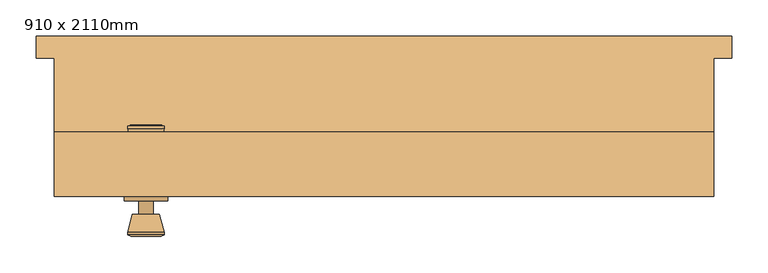
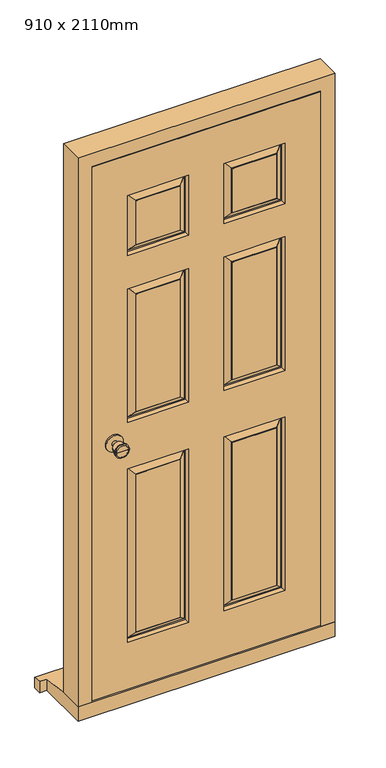
"""IFC4 building model written with IfcOpenShell, lengths in millimetres: door geometry, 910 x 2110mm."""

from ifc_helpers import new_model, si_unit, point, frame, frame_2d, origin, place, context, project, spatial, polyline, circle_curve, trimmed, segment, composite_curve, outline, extrude, faceted_brep, source, transform, mapped, element, save
from ifc_brep_helpers import plane_surface, cylinder_surface, revolved_surface, advanced_brep


def door_910_x_2110mm_297de242(model_context):
    return source(origin(), model_context, "Body", "SolidModel", [
        advanced_brep(
        [(-328.5, -97.5, 1000.0), (-318.5, -97.5, 1000.0), (-338.5, -97.5, 1000.0), (-308.0241324, -146.5, 1000.0), (-328.5, -146.5, 1000.0), (-348.9758676, -146.5, 1000.0), (-303.5, -144.6721319, 1000.0), (-353.5, -144.6721319, 1000.0), (-303.5, -141.2084537, 1000.0), (-353.5, -141.2084537, 1000.0), (-309.863764, -116.5, 1000.0), (-347.136236, -116.5, 1000.0), (-318.5, -116.5, 1000.0), (-338.5, -116.5, 1000.0)],
        [
            (0, 1),
            (1, 2, circle_curve(frame((-328.5, -97.5, 1000.0), z_axis=(0.0, 1.0, 0.0), x_axis=(-1.0, 0.0, 0.0)), 10.0)),
            (2, 0),
            (2, 1, circle_curve(frame((-328.5, -97.5, 1000.0), z_axis=(0.0, 1.0, 0.0), x_axis=(-1.0, 0.0, 0.0)), 10.0)),
            (3, 4),
            (4, 5),
            (5, 3, circle_curve(frame((-328.5, -146.5, 1000.0), z_axis=(0.0, -1.0, 0.0), x_axis=(-1.0, 0.0, 0.0)), 20.4758676)),
            (3, 5, circle_curve(frame((-328.5, -146.5, 1000.0), z_axis=(0.0, -1.0, 0.0), x_axis=(-1.0, 0.0, 0.0)), 20.4758676)),
            (6, 3),
            (5, 7),
            (7, 6, circle_curve(frame((-328.5, -144.6721319, 1000.0), z_axis=(0.0, -1.0, 0.0), x_axis=(-1.0, 0.0, 0.0)), 25.0)),
            (6, 7, circle_curve(frame((-328.5, -144.6721319, 1000.0), z_axis=(0.0, -1.0, 0.0), x_axis=(-1.0, 0.0, 0.0)), 25.0)),
            (8, 6),
            (7, 9),
            (9, 8, circle_curve(frame((-328.5, -141.2084537, 1000.0), z_axis=(0.0, -1.0, 0.0), x_axis=(-1.0, 0.0, 0.0)), 25.0)),
            (8, 9, circle_curve(frame((-328.5, -141.2084537, 1000.0), z_axis=(0.0, -1.0, 0.0), x_axis=(-1.0, 0.0, 0.0)), 25.0)),
            (10, 8),
            (9, 11),
            (11, 10, circle_curve(frame((-328.5, -116.5, 1000.0), z_axis=(0.0, -1.0, 0.0), x_axis=(-1.0, 0.0, 0.0)), 18.636236)),
            (10, 11, circle_curve(frame((-328.5, -116.5, 1000.0), z_axis=(0.0, -1.0, 0.0), x_axis=(-1.0, 0.0, 0.0)), 18.636236)),
            (12, 10),
            (11, 13),
            (13, 12, circle_curve(frame((-328.5, -116.5, 1000.0), z_axis=(0.0, -1.0, 0.0), x_axis=(-1.0, 0.0, 0.0)), 10.0)),
            (12, 13, circle_curve(frame((-328.5, -116.5, 1000.0), z_axis=(0.0, -1.0, 0.0), x_axis=(-1.0, 0.0, 0.0)), 10.0)),
            (1, 12),
            (13, 2),
        ],
        [
            plane_surface(frame((-328.5, -97.5, 1000.0), z_axis=(0.0, 1.0, 0.0), x_axis=(-1.0, 0.0, 0.0))),
            plane_surface(frame((-328.5, -146.5, 1000.0), z_axis=(0.0, -1.0, 0.0), x_axis=(-1.0, 0.0, 0.0))),
            revolved_surface(polyline([(-348.9758676, -146.5, 1000.0), (-353.5, -144.6721319, 1000.0)]), (-328.5, -97.5, 1000.0), (0.0, 1.0, 0.0)),
            cylinder_surface(frame((-328.5, -97.5, 1000.0), z_axis=(0.0, 1.0, 0.0), x_axis=(-1.0, 0.0, 0.0)), 25.0),
            revolved_surface(polyline([(-353.5, -141.2084537, 1000.0), (-347.136236, -116.5, 1000.0)]), (-328.5, -97.5, 1000.0), (0.0, 1.0, 0.0)),
            plane_surface(frame((-328.5, -116.5, 1000.0), z_axis=(0.0, 1.0, 0.0), x_axis=(-1.0, 0.0, 0.0))),
            cylinder_surface(frame((-328.5, -97.5, 1000.0), z_axis=(0.0, 1.0, 0.0), x_axis=(-1.0, 0.0, 0.0)), 10.0),
        ],
        [
            (0, [[1, 2, 3]]),
            (0, [[-3, 4, -1]]),
            (1, [[5, 6, 7]]),
            (1, [[-6, -5, 8]]),
            (2, [[9, -7, 10, 11]]),
            (2, [[-10, -8, -9, 12]]),
            (3, [[13, -11, 14, 15]]),
            (3, [[-14, -12, -13, 16]]),
            (4, [[17, -15, 18, 19]]),
            (4, [[-18, -16, -17, 20]]),
            (5, [[21, -19, 22, 23]]),
            (5, [[-22, -20, -21, 24]]),
            (6, [[25, -23, 26, -2]]),
            (6, [[-26, -24, -25, -4]]),
        ],
    ),
        extrude(outline(composite_curve([segment(trimmed(circle_curve(frame_2d((1000.0, -328.5)), 30.0), [point((1000.0, -358.5))], [point((1000.0, -298.5))], False, "CARTESIAN"), True, "CONTINUOUS"), segment(trimmed(circle_curve(frame_2d((1000.0, -328.5)), 30.0), [point((1000.0, -298.5))], [point((1000.0, -358.5))], False, "CARTESIAN"), True, "CONTINUOUS")], self_intersect=False)), frame((0.0, -97.5, 0.0), z_axis=(0.0, 1.0, 0.0), x_axis=(0.0, 0.0, 1.0)), (0.0, 0.0, 1.0), 6.0),
        advanced_brep(
        [(-328.5, -41.5, 1000.0), (-338.5, -41.5, 1000.0), (-318.5, -41.5, 1000.0), (-308.0241324, 7.5, 1000.0), (-348.9758676, 7.5, 1000.0), (-328.5, 7.5, 1000.0), (-303.5, 5.6721319, 1000.0), (-353.5, 5.6721319, 1000.0), (-303.5, 2.2084537, 1000.0), (-353.5, 2.2084537, 1000.0), (-309.863764, -22.5, 1000.0), (-347.136236, -22.5, 1000.0), (-318.5, -22.5, 1000.0), (-338.5, -22.5, 1000.0)],
        [
            (0, 1),
            (1, 2, circle_curve(frame((-328.5, -41.5, 1000.0), z_axis=(0.0, -1.0, 0.0), x_axis=(-1.0, 0.0, 0.0)), 10.0)),
            (2, 0),
            (2, 1, circle_curve(frame((-328.5, -41.5, 1000.0), z_axis=(0.0, -1.0, 0.0), x_axis=(-1.0, 0.0, 0.0)), 10.0)),
            (3, 4, circle_curve(frame((-328.5, 7.5, 1000.0), z_axis=(0.0, 1.0, 0.0), x_axis=(-1.0, 0.0, 0.0)), 20.4758676)),
            (4, 5),
            (5, 3),
            (4, 3, circle_curve(frame((-328.5, 7.5, 1000.0), z_axis=(0.0, 1.0, 0.0), x_axis=(-1.0, 0.0, 0.0)), 20.4758676)),
            (6, 7, circle_curve(frame((-328.5, 5.6721319, 1000.0), z_axis=(0.0, 1.0, 0.0), x_axis=(-1.0, 0.0, 0.0)), 25.0)),
            (7, 4),
            (3, 6),
            (7, 6, circle_curve(frame((-328.5, 5.6721319, 1000.0), z_axis=(0.0, 1.0, 0.0), x_axis=(-1.0, 0.0, 0.0)), 25.0)),
            (8, 9, circle_curve(frame((-328.5, 2.2084537, 1000.0), z_axis=(0.0, 1.0, 0.0), x_axis=(-1.0, 0.0, 0.0)), 25.0)),
            (9, 7),
            (6, 8),
            (9, 8, circle_curve(frame((-328.5, 2.2084537, 1000.0), z_axis=(0.0, 1.0, 0.0), x_axis=(-1.0, 0.0, 0.0)), 25.0)),
            (10, 11, circle_curve(frame((-328.5, -22.5, 1000.0), z_axis=(0.0, 1.0, 0.0), x_axis=(-1.0, 0.0, 0.0)), 18.636236)),
            (11, 9),
            (8, 10),
            (11, 10, circle_curve(frame((-328.5, -22.5, 1000.0), z_axis=(0.0, 1.0, 0.0), x_axis=(-1.0, 0.0, 0.0)), 18.636236)),
            (12, 13, circle_curve(frame((-328.5, -22.5, 1000.0), z_axis=(0.0, 1.0, 0.0), x_axis=(-1.0, 0.0, 0.0)), 10.0)),
            (13, 11),
            (10, 12),
            (13, 12, circle_curve(frame((-328.5, -22.5, 1000.0), z_axis=(0.0, 1.0, 0.0), x_axis=(-1.0, 0.0, 0.0)), 10.0)),
            (1, 13),
            (12, 2),
        ],
        [
            plane_surface(frame((-328.5, -41.5, 1000.0), z_axis=(0.0, -1.0, 0.0), x_axis=(-1.0, 0.0, 0.0))),
            plane_surface(frame((-328.5, 7.5, 1000.0), z_axis=(0.0, 1.0, 0.0), x_axis=(-1.0, 0.0, 0.0))),
            revolved_surface(polyline([(-348.9758676, 7.5, 1000.0), (-353.5, 5.6721319, 1000.0)]), (-328.5, -41.5, 1000.0), (0.0, -1.0, 0.0)),
            cylinder_surface(frame((-328.5, -41.5, 1000.0), z_axis=(0.0, -1.0, 0.0), x_axis=(-1.0, 0.0, 0.0)), 25.0),
            revolved_surface(polyline([(-353.5, 2.2084537, 1000.0), (-347.136236, -22.5, 1000.0)]), (-328.5, -41.5, 1000.0), (0.0, -1.0, 0.0)),
            plane_surface(frame((-328.5, -22.5, 1000.0), z_axis=(0.0, -1.0, 0.0), x_axis=(-1.0, 0.0, 0.0))),
            cylinder_surface(frame((-328.5, -41.5, 1000.0), z_axis=(0.0, -1.0, 0.0), x_axis=(-1.0, 0.0, 0.0)), 10.0),
        ],
        [
            (0, [[1, 2, 3]]),
            (0, [[-3, 4, -1]]),
            (1, [[5, 6, 7]]),
            (1, [[8, -7, -6]]),
            (2, [[9, 10, -5, 11]]),
            (2, [[12, -11, -8, -10]]),
            (3, [[13, 14, -9, 15]]),
            (3, [[16, -15, -12, -14]]),
            (4, [[17, 18, -13, 19]]),
            (4, [[20, -19, -16, -18]]),
            (5, [[21, 22, -17, 23]]),
            (5, [[24, -23, -20, -22]]),
            (6, [[-2, 25, -21, 26]]),
            (6, [[-4, -26, -24, -25]]),
        ],
    ),
        extrude(outline(composite_curve([segment(trimmed(circle_curve(frame_2d((1000.0, -328.5)), 30.0), [point((1000.0, -358.5))], [point((1000.0, -298.5))], False, "CARTESIAN"), True, "CONTINUOUS"), segment(trimmed(circle_curve(frame_2d((1000.0, -328.5)), 30.0), [point((1000.0, -298.5))], [point((1000.0, -358.5))], False, "CARTESIAN"), True, "CONTINUOUS")], self_intersect=False)), frame((0.0, -47.5, 0.0), z_axis=(0.0, 1.0, 0.0), x_axis=(0.0, 0.0, 1.0)), (0.0, 0.0, 1.0), 6.0),
        faceted_brep([(384.5, -2.5, 54.5), (455.0, -2.5, 54.5), (455.0, -91.5, 54.5), (406.5, -91.5, 54.5), (406.5, -44.5, 54.5), (384.5, -44.5, 54.5), (384.5, -2.5, 2039.5), (-384.5, -2.5, 2039.5), (-384.5, -2.5, 54.5), (-455.0, -2.5, 54.5), (-455.0, -2.5, 2110.0), (455.0, -2.5, 2110.0), (455.0, -91.5, 2110.0), (-455.0, -91.5, 2110.0), (-455.0, -91.5, 54.5), (-406.5, -91.5, 54.5), (-406.5, -91.5, 2061.5), (406.5, -91.5, 2061.5), (406.5, -44.5, 2061.5), (-406.5, -44.5, 2061.5), (-406.5, -44.5, 54.5), (-384.5, -44.5, 54.5), (-384.5, -44.5, 2039.5), (384.5, -44.5, 2039.5)], [[[0, 1, 2, 3, 4, 5]], [[1, 0, 6, 7, 8, 9, 10, 11]], [[2, 1, 11, 12]], [[3, 2, 12, 13, 14, 15, 16, 17]], [[4, 3, 17, 18]], [[5, 4, 18, 19, 20, 21, 22, 23]], [[0, 5, 23, 6]], [[8, 7, 22, 21]], [[9, 8, 21, 20, 15, 14]], [[10, 9, 14, 13]], [[16, 15, 20, 19]], [[11, 10, 13, 12]], [[17, 16, 19, 18]], [[7, 6, 23, 22]]]),
        faceted_brep([(480.0, 130.0, 0.0), (480.0, 130.0, 38.5947221), (480.0, 100.0, 42.1959171), (480.0, 100.0, 0.0), (-480.0, 130.0, 38.5947221), (-480.0, 130.0, 0.0), (-480.0, 100.0, 0.0), (-480.0, 100.0, 42.1959171), (455.0, 100.0, 0.0), (455.0, -91.5, 0.0), (-455.0, -91.5, 0.0), (-455.0, 100.0, 0.0), (-455.0, 100.0, 42.1959171), (-455.0, -2.5, 54.5), (455.0, -2.5, 54.5), (455.0, 100.0, 42.1959171), (-455.0, -91.5, 54.5), (455.0, -91.5, 54.5)], [[[0, 1, 2, 3]], [[4, 5, 6, 7]], [[5, 0, 3, 8, 9, 10, 11, 6]], [[1, 0, 5, 4]], [[1, 4, 7, 12, 13, 14, 15, 2]], [[13, 16, 17, 14]], [[16, 10, 9, 17]], [[12, 11, 10, 16, 13]], [[11, 12, 7, 6]], [[8, 15, 14, 17, 9]], [[15, 8, 3, 2]]]),
        faceted_brep([(403.5, -91.5, 58.5), (403.5, -91.5, 2058.5), (-404.4250294, -91.5, 2058.5), (-404.4250294, -91.5, 58.5), (-62.5, -91.5, 883.5), (-62.5, -91.5, 233.5), (-278.5, -91.5, 233.5), (-278.5, -91.5, 883.5), (278.5, -91.5, 883.5), (278.5, -91.5, 233.5), (62.5, -91.5, 233.5), (62.5, -91.5, 883.5), (-62.5, -91.5, 1558.5), (-62.5, -91.5, 1058.5), (-278.5, -91.5, 1058.5), (-278.5, -91.5, 1558.5), (278.5, -91.5, 1558.5), (278.5, -91.5, 1058.5), (62.5, -91.5, 1058.5), (62.5, -91.5, 1558.5), (-62.5, -91.5, 1908.5), (-62.5, -91.5, 1683.5), (-278.5, -91.5, 1683.5), (-278.5, -91.5, 1908.5), (62.5, -91.5, 1683.5), (62.5, -91.5, 1908.5), (278.5, -91.5, 1908.5), (278.5, -91.5, 1683.5), (-92.5, -91.5, 263.5), (-92.5, -91.5, 853.5), (-248.5, -91.5, 853.5), (-248.5, -91.5, 263.5), (248.5, -91.5, 263.5), (248.5, -91.5, 853.5), (92.5, -91.5, 853.5), (92.5, -91.5, 263.5), (-92.5, -91.5, 1088.5), (-92.5, -91.5, 1528.5), (-248.5, -91.5, 1528.5), (-248.5, -91.5, 1088.5), (248.5, -91.5, 1088.5), (248.5, -91.5, 1528.5), (92.5, -91.5, 1528.5), (92.5, -91.5, 1088.5), (-92.5, -91.5, 1713.5), (-92.5, -91.5, 1878.5), (-248.5, -91.5, 1878.5), (-248.5, -91.5, 1713.5), (92.5, -91.5, 1878.5), (92.5, -91.5, 1713.5), (248.5, -91.5, 1713.5), (248.5, -91.5, 1878.5), (403.5, -47.5, 58.5), (-404.4250294, -47.5, 58.5), (-404.4250294, -47.5, 2058.5), (403.5, -47.5, 2058.5), (62.5, -47.5, 883.5), (62.5, -47.5, 233.5), (278.5, -47.5, 233.5), (278.5, -47.5, 883.5), (-278.5, -47.5, 883.5), (-278.5, -47.5, 233.5), (-62.5, -47.5, 233.5), (-62.5, -47.5, 883.5), (62.5, -47.5, 1558.5), (62.5, -47.5, 1058.5), (278.5, -47.5, 1058.5), (278.5, -47.5, 1558.5), (-278.5, -47.5, 1558.5), (-278.5, -47.5, 1058.5), (-62.5, -47.5, 1058.5), (-62.5, -47.5, 1558.5), (62.5, -47.5, 1908.5), (62.5, -47.5, 1683.5), (278.5, -47.5, 1683.5), (278.5, -47.5, 1908.5), (-278.5, -47.5, 1908.5), (-278.5, -47.5, 1683.5), (-62.5, -47.5, 1683.5), (-62.5, -47.5, 1908.5), (92.5, -47.5, 263.5), (92.5, -47.5, 853.5), (248.5, -47.5, 853.5), (248.5, -47.5, 263.5), (-248.5, -47.5, 263.5), (-248.5, -47.5, 853.5), (-92.5, -47.5, 853.5), (-92.5, -47.5, 263.5), (92.5, -47.5, 1088.5), (92.5, -47.5, 1528.5), (248.5, -47.5, 1528.5), (248.5, -47.5, 1088.5), (-248.5, -47.5, 1088.5), (-248.5, -47.5, 1528.5), (-92.5, -47.5, 1528.5), (-92.5, -47.5, 1088.5), (92.5, -47.5, 1713.5), (92.5, -47.5, 1878.5), (248.5, -47.5, 1878.5), (248.5, -47.5, 1713.5), (-248.5, -47.5, 1713.5), (-248.5, -47.5, 1878.5), (-92.5, -47.5, 1878.5), (-92.5, -47.5, 1713.5), (65.5, -62.5, 880.5), (65.5, -62.5, 236.5), (90.5, -48.5, 855.5), (90.5, -48.5, 261.5), (70.5, -62.5, 241.5), (70.5, -62.5, 875.5), (92.5, -48.5, 263.5), (92.5, -48.5, 853.5), (275.5, -62.5, 236.5), (250.5, -48.5, 261.5), (270.5, -62.5, 241.5), (248.5, -48.5, 263.5), (275.5, -62.5, 880.5), (250.5, -48.5, 855.5), (270.5, -62.5, 875.5), (248.5, -48.5, 853.5), (-275.5, -62.5, 880.5), (-275.5, -62.5, 236.5), (-250.5, -48.5, 855.5), (-250.5, -48.5, 261.5), (-270.5, -62.5, 241.5), (-270.5, -62.5, 875.5), (-248.5, -48.5, 263.5), (-248.5, -48.5, 853.5), (-65.5, -62.5, 236.5), (-90.5, -48.5, 261.5), (-70.5, -62.5, 241.5), (-92.5, -48.5, 263.5), (-65.5, -62.5, 880.5), (-90.5, -48.5, 855.5), (-70.5, -62.5, 875.5), (-92.5, -48.5, 853.5), (-92.5, -90.5, 263.5), (-92.5, -90.5, 853.5), (-70.5, -76.5, 241.5), (-70.5, -76.5, 875.5), (-90.5, -90.5, 855.5), (-90.5, -90.5, 261.5), (-65.5, -76.5, 880.5), (-65.5, -76.5, 236.5), (-248.5, -90.5, 853.5), (-270.5, -76.5, 875.5), (-250.5, -90.5, 855.5), (-275.5, -76.5, 880.5), (-248.5, -90.5, 263.5), (-270.5, -76.5, 241.5), (-250.5, -90.5, 261.5), (-275.5, -76.5, 236.5), (275.5, -76.5, 880.5), (275.5, -76.5, 236.5), (250.5, -90.5, 855.5), (250.5, -90.5, 261.5), (270.5, -76.5, 241.5), (270.5, -76.5, 875.5), (248.5, -90.5, 263.5), (248.5, -90.5, 853.5), (65.5, -76.5, 236.5), (90.5, -90.5, 261.5), (70.5, -76.5, 241.5), (92.5, -90.5, 263.5), (65.5, -76.5, 880.5), (90.5, -90.5, 855.5), (70.5, -76.5, 875.5), (92.5, -90.5, 853.5), (92.5, -48.5, 1088.5), (92.5, -48.5, 1528.5), (70.5, -62.5, 1066.5), (70.5, -62.5, 1550.5), (90.5, -48.5, 1530.5), (90.5, -48.5, 1086.5), (65.5, -62.5, 1555.5), (65.5, -62.5, 1061.5), (248.5, -48.5, 1528.5), (270.5, -62.5, 1550.5), (250.5, -48.5, 1530.5), (275.5, -62.5, 1555.5), (248.5, -48.5, 1088.5), (270.5, -62.5, 1066.5), (250.5, -48.5, 1086.5), (275.5, -62.5, 1061.5), (-248.5, -48.5, 1088.5), (-248.5, -48.5, 1528.5), (-270.5, -62.5, 1066.5), (-270.5, -62.5, 1550.5), (-250.5, -48.5, 1530.5), (-250.5, -48.5, 1086.5), (-275.5, -62.5, 1555.5), (-275.5, -62.5, 1061.5), (-92.5, -48.5, 1528.5), (-70.5, -62.5, 1550.5), (-90.5, -48.5, 1530.5), (-65.5, -62.5, 1555.5), (-92.5, -48.5, 1088.5), (-70.5, -62.5, 1066.5), (-90.5, -48.5, 1086.5), (-65.5, -62.5, 1061.5), (-92.5, -90.5, 1088.5), (-92.5, -90.5, 1528.5), (-70.5, -76.5, 1066.5), (-70.5, -76.5, 1550.5), (-90.5, -90.5, 1530.5), (-90.5, -90.5, 1086.5), (-65.5, -76.5, 1555.5), (-65.5, -76.5, 1061.5), (-248.5, -90.5, 1528.5), (-270.5, -76.5, 1550.5), (-250.5, -90.5, 1530.5), (-275.5, -76.5, 1555.5), (-248.5, -90.5, 1088.5), (-270.5, -76.5, 1066.5), (-250.5, -90.5, 1086.5), (-275.5, -76.5, 1061.5), (275.5, -76.5, 1555.5), (275.5, -76.5, 1061.5), (250.5, -90.5, 1530.5), (250.5, -90.5, 1086.5), (270.5, -76.5, 1066.5), (270.5, -76.5, 1550.5), (248.5, -90.5, 1088.5), (248.5, -90.5, 1528.5), (65.5, -76.5, 1061.5), (90.5, -90.5, 1086.5), (70.5, -76.5, 1066.5), (92.5, -90.5, 1088.5), (65.5, -76.5, 1555.5), (90.5, -90.5, 1530.5), (70.5, -76.5, 1550.5), (92.5, -90.5, 1528.5), (92.5, -48.5, 1713.5), (92.5, -48.5, 1878.5), (70.5, -62.5, 1691.5), (70.5, -62.5, 1900.5), (90.5, -48.5, 1880.5), (90.5, -48.5, 1711.5), (65.5, -62.5, 1905.5), (65.5, -62.5, 1686.5), (248.5, -48.5, 1878.5), (270.5, -62.5, 1900.5), (250.5, -48.5, 1880.5), (275.5, -62.5, 1905.5), (248.5, -48.5, 1713.5), (270.5, -62.5, 1691.5), (250.5, -48.5, 1711.5), (275.5, -62.5, 1686.5), (-248.5, -48.5, 1713.5), (-248.5, -48.5, 1878.5), (-270.5, -62.5, 1691.5), (-270.5, -62.5, 1900.5), (-250.5, -48.5, 1880.5), (-250.5, -48.5, 1711.5), (-275.5, -62.5, 1905.5), (-275.5, -62.5, 1686.5), (-92.5, -48.5, 1878.5), (-70.5, -62.5, 1900.5), (-90.5, -48.5, 1880.5), (-65.5, -62.5, 1905.5), (-92.5, -48.5, 1713.5), (-70.5, -62.5, 1691.5), (-90.5, -48.5, 1711.5), (-65.5, -62.5, 1686.5), (-92.5, -90.5, 1713.5), (-92.5, -90.5, 1878.5), (-70.5, -76.5, 1691.5), (-70.5, -76.5, 1900.5), (-90.5, -90.5, 1880.5), (-90.5, -90.5, 1711.5), (-65.5, -76.5, 1905.5), (-65.5, -76.5, 1686.5), (-248.5, -90.5, 1878.5), (-270.5, -76.5, 1900.5), (-250.5, -90.5, 1880.5), (-275.5, -76.5, 1905.5), (-248.5, -90.5, 1713.5), (-270.5, -76.5, 1691.5), (-250.5, -90.5, 1711.5), (-275.5, -76.5, 1686.5), (92.5, -90.5, 1878.5), (92.5, -90.5, 1713.5), (70.5, -76.5, 1900.5), (70.5, -76.5, 1691.5), (90.5, -90.5, 1711.5), (90.5, -90.5, 1880.5), (65.5, -76.5, 1686.5), (65.5, -76.5, 1905.5), (248.5, -90.5, 1713.5), (270.5, -76.5, 1691.5), (250.5, -90.5, 1711.5), (275.5, -76.5, 1686.5), (248.5, -90.5, 1878.5), (270.5, -76.5, 1900.5), (250.5, -90.5, 1880.5), (275.5, -76.5, 1905.5)], [[[0, 1, 2, 3], [4, 5, 6, 7], [8, 9, 10, 11], [12, 13, 14, 15], [16, 17, 18, 19], [20, 21, 22, 23], [24, 25, 26, 27]], [[28, 29, 30, 31]], [[32, 33, 34, 35]], [[36, 37, 38, 39]], [[40, 41, 42, 43]], [[44, 45, 46, 47]], [[48, 49, 50, 51]], [[52, 53, 54, 55], [56, 57, 58, 59], [60, 61, 62, 63], [64, 65, 66, 67], [68, 69, 70, 71], [72, 73, 74, 75], [76, 77, 78, 79]], [[80, 81, 82, 83]], [[84, 85, 86, 87]], [[88, 89, 90, 91]], [[92, 93, 94, 95]], [[96, 97, 98, 99]], [[100, 101, 102, 103]], [[1, 0, 52, 55]], [[2, 1, 55, 54]], [[3, 2, 54, 53]], [[0, 3, 53, 52]], [[104, 105, 57, 56]], [[106, 107, 108, 109]], [[80, 110, 111, 81]], [[57, 105, 112, 58]], [[108, 107, 113, 114]], [[110, 80, 83, 115]], [[58, 112, 116, 59]], [[114, 113, 117, 118]], [[115, 83, 82, 119]], [[104, 56, 59, 116]], [[105, 104, 116, 112], [109, 108, 114, 118]], [[106, 109, 118, 117]], [[107, 106, 117, 113], [111, 110, 115, 119]], [[81, 111, 119, 82]], [[120, 121, 61, 60]], [[122, 123, 124, 125]], [[84, 126, 127, 85]], [[61, 121, 128, 62]], [[124, 123, 129, 130]], [[126, 84, 87, 131]], [[62, 128, 132, 63]], [[130, 129, 133, 134]], [[131, 87, 86, 135]], [[120, 60, 63, 132]], [[121, 120, 132, 128], [125, 124, 130, 134]], [[122, 125, 134, 133]], [[123, 122, 133, 129], [127, 126, 131, 135]], [[85, 127, 135, 86]], [[136, 137, 29, 28]], [[138, 139, 140, 141]], [[4, 142, 143, 5]], [[29, 137, 144, 30]], [[140, 139, 145, 146]], [[142, 4, 7, 147]], [[30, 144, 148, 31]], [[146, 145, 149, 150]], [[147, 7, 6, 151]], [[136, 28, 31, 148]], [[141, 140, 146, 150], [137, 136, 148, 144]], [[138, 141, 150, 149]], [[143, 142, 147, 151], [139, 138, 149, 145]], [[5, 143, 151, 6]], [[152, 153, 9, 8]], [[154, 155, 156, 157]], [[32, 158, 159, 33]], [[9, 153, 160, 10]], [[156, 155, 161, 162]], [[158, 32, 35, 163]], [[10, 160, 164, 11]], [[162, 161, 165, 166]], [[163, 35, 34, 167]], [[152, 8, 11, 164]], [[153, 152, 164, 160], [157, 156, 162, 166]], [[154, 157, 166, 165]], [[155, 154, 165, 161], [159, 158, 163, 167]], [[33, 159, 167, 34]], [[168, 169, 89, 88]], [[170, 171, 172, 173]], [[64, 174, 175, 65]], [[89, 169, 176, 90]], [[172, 171, 177, 178]], [[174, 64, 67, 179]], [[90, 176, 180, 91]], [[178, 177, 181, 182]], [[179, 67, 66, 183]], [[168, 88, 91, 180]], [[173, 172, 178, 182], [169, 168, 180, 176]], [[170, 173, 182, 181]], [[175, 174, 179, 183], [171, 170, 181, 177]], [[65, 175, 183, 66]], [[184, 185, 93, 92]], [[186, 187, 188, 189]], [[68, 190, 191, 69]], [[93, 185, 192, 94]], [[188, 187, 193, 194]], [[190, 68, 71, 195]], [[94, 192, 196, 95]], [[194, 193, 197, 198]], [[195, 71, 70, 199]], [[184, 92, 95, 196]], [[189, 188, 194, 198], [185, 184, 196, 192]], [[186, 189, 198, 197]], [[191, 190, 195, 199], [187, 186, 197, 193]], [[69, 191, 199, 70]], [[200, 201, 37, 36]], [[202, 203, 204, 205]], [[12, 206, 207, 13]], [[37, 201, 208, 38]], [[204, 203, 209, 210]], [[206, 12, 15, 211]], [[38, 208, 212, 39]], [[210, 209, 213, 214]], [[211, 15, 14, 215]], [[200, 36, 39, 212]], [[205, 204, 210, 214], [201, 200, 212, 208]], [[202, 205, 214, 213]], [[207, 206, 211, 215], [203, 202, 213, 209]], [[13, 207, 215, 14]], [[216, 217, 17, 16]], [[218, 219, 220, 221]], [[40, 222, 223, 41]], [[17, 217, 224, 18]], [[220, 219, 225, 226]], [[222, 40, 43, 227]], [[18, 224, 228, 19]], [[226, 225, 229, 230]], [[227, 43, 42, 231]], [[216, 16, 19, 228]], [[217, 216, 228, 224], [221, 220, 226, 230]], [[218, 221, 230, 229]], [[219, 218, 229, 225], [223, 222, 227, 231]], [[41, 223, 231, 42]], [[232, 233, 97, 96]], [[234, 235, 236, 237]], [[72, 238, 239, 73]], [[97, 233, 240, 98]], [[236, 235, 241, 242]], [[238, 72, 75, 243]], [[98, 240, 244, 99]], [[242, 241, 245, 246]], [[243, 75, 74, 247]], [[232, 96, 99, 244]], [[237, 236, 242, 246], [233, 232, 244, 240]], [[234, 237, 246, 245]], [[239, 238, 243, 247], [235, 234, 245, 241]], [[73, 239, 247, 74]], [[248, 249, 101, 100]], [[250, 251, 252, 253]], [[76, 254, 255, 77]], [[101, 249, 256, 102]], [[252, 251, 257, 258]], [[254, 76, 79, 259]], [[102, 256, 260, 103]], [[258, 257, 261, 262]], [[259, 79, 78, 263]], [[248, 100, 103, 260]], [[253, 252, 258, 262], [249, 248, 260, 256]], [[250, 253, 262, 261]], [[255, 254, 259, 263], [251, 250, 261, 257]], [[77, 255, 263, 78]], [[264, 265, 45, 44]], [[266, 267, 268, 269]], [[20, 270, 271, 21]], [[45, 265, 272, 46]], [[268, 267, 273, 274]], [[270, 20, 23, 275]], [[46, 272, 276, 47]], [[274, 273, 277, 278]], [[275, 23, 22, 279]], [[264, 44, 47, 276]], [[269, 268, 274, 278], [265, 264, 276, 272]], [[266, 269, 278, 277]], [[271, 270, 275, 279], [267, 266, 277, 273]], [[21, 271, 279, 22]], [[280, 281, 49, 48]], [[282, 283, 284, 285]], [[24, 286, 287, 25]], [[49, 281, 288, 50]], [[284, 283, 289, 290]], [[286, 24, 27, 291]], [[50, 288, 292, 51]], [[290, 289, 293, 294]], [[291, 27, 26, 295]], [[280, 48, 51, 292]], [[285, 284, 290, 294], [281, 280, 292, 288]], [[282, 285, 294, 293]], [[287, 286, 291, 295], [283, 282, 293, 289]], [[25, 287, 295, 26]]]),
    ])


if __name__ == "__main__":
    model = new_model("IFC4")
    model_context = context("Model", 3, world=origin())
    ifc_project = project(units=[si_unit("LENGTHUNIT", "METRE", prefix="MILLI")], contexts=[model_context])
    site = spatial("IfcSite", under=ifc_project)
    building = spatial("IfcBuilding", under=site)
    placement = place(None, origin())
    door_910_x_2110mm_shape = door_910_x_2110mm_297de242(model_context)
    element("IfcDoor", 1, ObjectType="910 x 2110mm", at=placement, inside=building, context=model_context, shape_type="MappedRepresentation", body=[
        mapped(door_910_x_2110mm_shape, transform((0.0, 0.0, 0.0), x_axis=(1.0, 0.0, 0.0), y_axis=(0.0, 1.0, 0.0), z_axis=(0.0, 0.0, 1.0))),
    ])
    save(model, "model.ifc")
